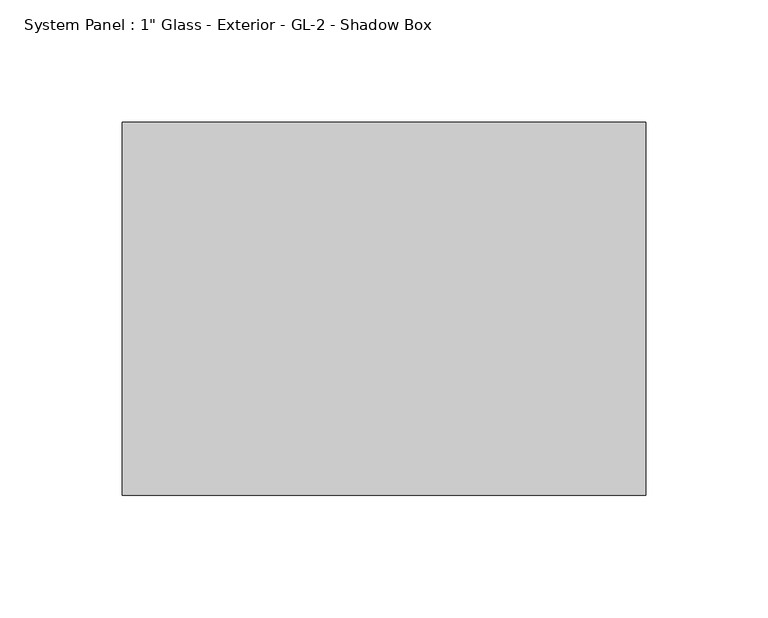
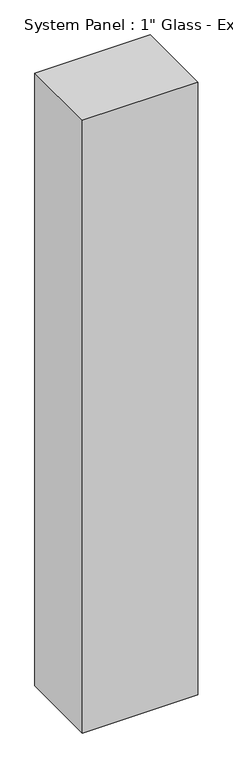
"""IFC4 building model written with IfcOpenShell, lengths in millimetres: plate geometry."""

import ifcopenshell
import ifcopenshell.guid

model = None  # the IFC model being written
_history = None  # IfcOwnerHistory: only IFC2X3 demands one
_inside = {}  # id of a spatial element -> (the spatial element, [elements in it])
_under = {}  # id of a project, library or spatial element -> (it, [spatial elements below it])
_declared = {}  # id of a project -> (the project, [libraries it declares])
_typed = {}  # id of a type object -> (the type object, [elements of that type])
_made_of = {}  # id of a material, layer set ... -> (it, [elements and type objects made of it])


def new_model(schema):
    """Start an empty IFC model of exactly this schema.

    Asked for "IFC4X3", IfcOpenShell would pick the latest addendum, in which some entities
    have other attributes; the version numbers below select the first issue.
    IFC2X3 requires an IfcOwnerHistory on every rooted entity: one is made here for all.
    """
    global model, _history
    if schema == "IFC4X3":
        model = ifcopenshell.file(schema_version=(4, 3, 0, 0))
    else:
        model = ifcopenshell.file(schema=schema)
    _inside.clear()
    _under.clear()
    _declared.clear()
    _typed.clear()
    _made_of.clear()
    _history = None
    if model.schema == "IFC2X3":
        org = make("IfcOrganization", Name="unknown")
        user = make(
            "IfcPersonAndOrganization",
            ThePerson=make("IfcPerson", FamilyName="unknown"),
            TheOrganization=org,
        )
        app = make(
            "IfcApplication",
            ApplicationDeveloper=org,
            Version="unknown",
            ApplicationFullName="unknown",
            ApplicationIdentifier="unknown",
        )
        _history = make(
            "IfcOwnerHistory",
            OwningUser=user,
            OwningApplication=app,
            ChangeAction="ADDED",
            CreationDate=0,
        )
    return model


def make(cls, **values):
    """One entity of the class cls with the attributes given. An attribute that is None is left unset."""
    return model.create_entity(
        cls, **{name: value for name, value in values.items() if value is not None}
    )


def rooted(cls, **values):
    """An entity with a GlobalId (a new one), such as an element, a storey or a relation."""
    return make(cls, GlobalId=ifcopenshell.guid.new(), OwnerHistory=_history, **values)


def si_unit(unit_type, name, prefix=None):
    """IfcSIUnit, for example si_unit("LENGTHUNIT", "METRE", prefix="MILLI")."""
    return make("IfcSIUnit", UnitType=unit_type, Prefix=prefix, Name=name)


def assignment(units):
    """IfcUnitAssignment: the units of a project."""
    return None if units is None else make("IfcUnitAssignment", Units=units)


def point(xyz):
    """IfcCartesianPoint."""
    return None if xyz is None else make("IfcCartesianPoint", Coordinates=xyz)


def direction(xyz):
    """IfcDirection."""
    return None if xyz is None else make("IfcDirection", DirectionRatios=xyz)


def frame(location, z_axis=None, x_axis=None):
    """IfcAxis2Placement3D, a coordinate frame: its origin and axes. An axis left out is left unset."""
    return make(
        "IfcAxis2Placement3D",
        Location=point(location),
        Axis=direction(z_axis),
        RefDirection=direction(x_axis),
    )


def origin():
    """The frame at (0, 0, 0) with its axes left unset."""
    return frame((0.0, 0.0, 0.0))


def origin_with_axes():
    """The frame at (0, 0, 0) with the z axis (0, 0, 1) and the x axis (1, 0, 0) written out."""
    return frame((0.0, 0.0, 0.0), z_axis=(0.0, 0.0, 1.0), x_axis=(1.0, 0.0, 0.0))


def place(relative_to, where):
    """IfcLocalPlacement: puts the frame where relative to a parent placement (None: the world)."""
    return make(
        "IfcLocalPlacement", PlacementRelTo=relative_to, RelativePlacement=where
    )


def context(
    kind, dimensions, precision=None, world=None, true_north=None, identifier=None
):
    """IfcGeometricRepresentationContext, for example the 3D "Model" context."""
    return make(
        "IfcGeometricRepresentationContext",
        ContextIdentifier=identifier,
        ContextType=kind,
        CoordinateSpaceDimension=dimensions,
        Precision=precision,
        WorldCoordinateSystem=world,
        TrueNorth=true_north,
    )


def project(units=None, contexts=None):
    """IfcProject with its units and contexts."""
    return rooted(
        "IfcProject",
        Name="project",
        RepresentationContexts=contexts,
        UnitsInContext=assignment(units),
    )


def spatial(cls, under=None, at=None, **own):
    """A site, building, storey or space (cls), placed at a placement, below another one or the project."""
    s = rooted(cls, ObjectPlacement=at, **own)
    if under is not None:
        _under.setdefault(under.id(), (under, []))[1].append(s)
    return s


def polyline(points):
    """IfcPolyline through the points."""
    return make("IfcPolyline", Points=[point(p) for p in points])


def outline(outer, holes=None, kind="AREA"):
    """IfcArbitraryClosedProfileDef: a profile drawn as a closed curve; with holes, ...WithVoids."""
    if holes is None:
        return make("IfcArbitraryClosedProfileDef", ProfileType=kind, OuterCurve=outer)
    return make(
        "IfcArbitraryProfileDefWithVoids",
        ProfileType=kind,
        OuterCurve=outer,
        InnerCurves=holes,
    )


def extrude(swept, where, along, depth):
    """IfcExtrudedAreaSolid: the profile swept, set in the frame where, extruded along a direction by depth."""
    return make(
        "IfcExtrudedAreaSolid",
        SweptArea=swept,
        Position=where,
        ExtrudedDirection=direction(along),
        Depth=depth,
    )


def shape(context_of_items, identifier, shape_type, items):
    """IfcShapeRepresentation: the items that make up one representation, for example the "Body"."""
    return make(
        "IfcShapeRepresentation",
        ContextOfItems=context_of_items,
        RepresentationIdentifier=identifier,
        RepresentationType=shape_type,
        Items=items,
    )


def source(mapping_origin, context_of_items, identifier, shape_type, items):
    """IfcRepresentationMap: a shape defined once, which mapped items show again and again."""
    return make(
        "IfcRepresentationMap",
        MappingOrigin=mapping_origin,
        MappedRepresentation=shape(context_of_items, identifier, shape_type, items),
    )


def transform(
    local_origin,
    x_axis=None,
    y_axis=None,
    z_axis=None,
    scale=None,
    scale2=None,
    scale3=None,
    uniform=True,
):
    """IfcCartesianTransformationOperator3D, or its non-uniform kind. x_axis, y_axis, z_axis: its Axis1, 2, 3."""
    if uniform:
        return make(
            "IfcCartesianTransformationOperator3D",
            Axis1=direction(x_axis),
            Axis2=direction(y_axis),
            LocalOrigin=point(local_origin),
            Scale=scale,
            Axis3=direction(z_axis),
        )
    return make(
        "IfcCartesianTransformationOperator3DnonUniform",
        Axis1=direction(x_axis),
        Axis2=direction(y_axis),
        LocalOrigin=point(local_origin),
        Scale=scale,
        Axis3=direction(z_axis),
        Scale2=scale2,
        Scale3=scale3,
    )


def mapped(mapping_source, mapping_target):
    """IfcMappedItem: shows the shape of a source again, moved by a transform."""
    return make(
        "IfcMappedItem", MappingSource=mapping_source, MappingTarget=mapping_target
    )


def made_of(thing, what):
    """Note that an element or type object is made of a material, layer set ...; save() writes the relation."""
    if what is not None:
        _made_of.setdefault(what.id(), (what, []))[1].append(thing)
    return thing


def element(
    cls,
    number,
    at=None,
    inside=None,
    cuts=None,
    type_object=None,
    material=None,
    context=None,
    identifier="Body",
    shape_type=None,
    held_by="IfcProductDefinitionShape",
    body=None,
    shapes=None,
    **own,
):
    """One element of the class cls, such as IfcWall. Its Tag is "e" and its number.

    at: its placement. inside: the storey or other place that contains it. cuts: it is an
    opening in that element (IfcRelVoidsElement). A single representation is given by context,
    identifier, shape_type and body (its items); several are given by shapes. held_by: the class
    of the entity that holds the representations. save() writes the other relations.
    """
    e = rooted(cls, Tag="e%d" % number, ObjectPlacement=at, **own)
    if body is not None:
        shapes = [shape(context, identifier, shape_type, body)]
    if shapes is not None:
        e.Representation = make(held_by, Representations=shapes)
    if inside is not None:
        _inside.setdefault(inside.id(), (inside, []))[1].append(e)
    if cuts is not None:
        rooted(
            "IfcRelVoidsElement", RelatingBuildingElement=cuts, RelatedOpeningElement=e
        )
    if type_object is not None:
        _typed.setdefault(type_object.id(), (type_object, []))[1].append(e)
    return made_of(e, material)


def aggregate(whole, parts):
    """IfcRelAggregates: a whole, such as a stair, and the parts it consists of."""
    return rooted("IfcRelAggregates", RelatingObject=whole, RelatedObjects=parts)


def save(model, path):
    """Write the relations noted so far, then the file.

    IfcRelAggregates (storeys below a building ...), IfcRelContainedInSpatialStructure (elements
    in a storey), IfcRelDefinesByType, IfcRelAssociatesMaterial and IfcRelDeclares: one each for
    every whole, place, type object, material and project.
    """
    for whole, parts in _under.values():
        aggregate(whole, parts)
    for where, things in _inside.values():
        rooted(
            "IfcRelContainedInSpatialStructure",
            RelatedElements=things,
            RelatingStructure=where,
        )
    for kind, things in _typed.values():
        rooted("IfcRelDefinesByType", RelatedObjects=things, RelatingType=kind)
    for what, things in _made_of.values():
        rooted("IfcRelAssociatesMaterial", RelatedObjects=things, RelatingMaterial=what)
    for by, libraries in _declared.values():
        rooted("IfcRelDeclares", RelatingContext=by, RelatedDefinitions=libraries)
    model.write(path)


def plate_622698d0(model_context):
    return source(origin(), model_context, "Body", "SweptSolid", [
        extrude(outline(polyline([(106.9906598, 0.0), (-106.9906598, 0.0), (-106.9906598, 152.4), (106.9906598, 152.4), (106.9906598, 0.0)])), origin_with_axes(), (0.0, 0.0, 1.0), 1200.15),
    ])


if __name__ == "__main__":
    model = new_model("IFC4")
    model_context = context("Model", 3, world=origin())
    ifc_project = project(units=[si_unit("LENGTHUNIT", "METRE", prefix="MILLI")], contexts=[model_context])
    site = spatial("IfcSite", under=ifc_project)
    building = spatial("IfcBuilding", under=site)
    placement = place(None, origin())
    plate_shape = plate_622698d0(model_context)
    element("IfcPlate", 1, ObjectType="System Panel : 1\" Glass - Exterior - GL-2 - Shadow Box", at=placement, inside=building, context=model_context, shape_type="MappedRepresentation", body=[
        mapped(plate_shape, transform((0.0, 0.0, 0.0), x_axis=(1.0, 0.0, 0.0), y_axis=(0.0, 1.0, 0.0), z_axis=(0.0, 0.0, 1.0))),
    ])
    save(model, "model.ifc")
